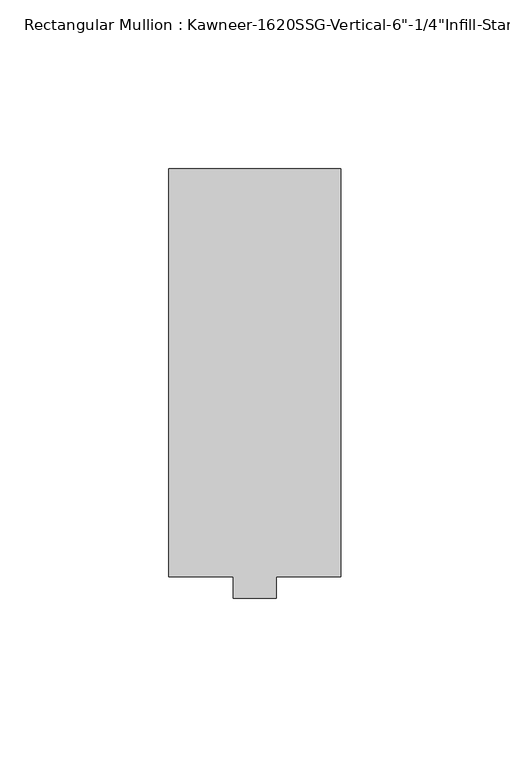
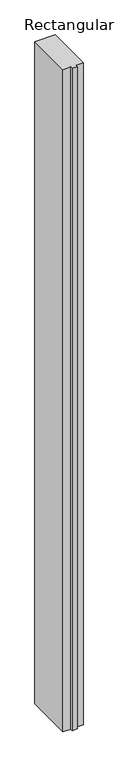
"""IFC4 building model written with IfcOpenShell, lengths in millimetres: member geometry."""

from ifc_helpers import new_model, si_unit, frame, origin, place, context, project, spatial, polyline, outline, extrude, source, transform, mapped, element, save


def member_1bd0bf49(model_context):
    return source(origin(), model_context, "Body", "SweptSolid", [
        extrude(outline(polyline([(25.4, 123.825), (25.4, 3.175), (6.35, 3.175), (6.35, -3.175), (-6.35, -3.175), (-6.35, 3.175), (-25.4, 3.175), (-25.4, 123.825), (25.4, 123.825)])), frame((0.0, 0.0, -1739.9), z_axis=(0.0, 0.0, 1.0), x_axis=(1.0, 0.0, 0.0)), (0.0, 0.0, 1.0), 1739.9),
    ])


if __name__ == "__main__":
    model = new_model("IFC4")
    model_context = context("Model", 3, world=origin())
    ifc_project = project(units=[si_unit("LENGTHUNIT", "METRE", prefix="MILLI")], contexts=[model_context])
    site = spatial("IfcSite", under=ifc_project)
    building = spatial("IfcBuilding", under=site)
    placement = place(None, origin())
    member_shape = member_1bd0bf49(model_context)
    element("IfcMember", 1, ObjectType="Rectangular Mullion : Kawneer-1620SSG-Vertical-6\"-1/4\"Infill-Standard", at=placement, inside=building, context=model_context, shape_type="MappedRepresentation", body=[
        mapped(member_shape, transform((0.0, 0.0, 0.0), x_axis=(1.0, 0.0, 0.0), y_axis=(0.0, 1.0, 0.0), z_axis=(0.0, 0.0, 1.0))),
    ])
    save(model, "model.ifc")
